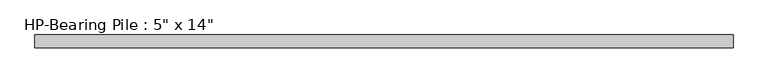
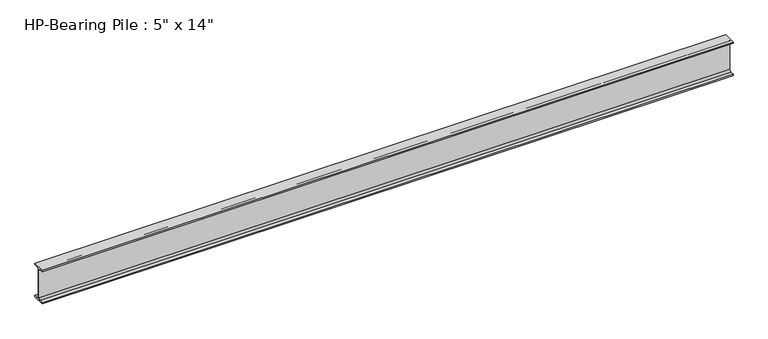
"""IFC4 building model written with IfcOpenShell, lengths in millimetres: beam geometry."""

from ifc_helpers import new_model, si_unit, point, frame, frame_2d, origin, place, context, project, spatial, polyline, circle_curve, trimmed, segment, composite_curve, outline, extrude, source, transform, mapped, element, save


def beam_0574e458(model_context):
    return source(origin(), model_context, "Body", "SweptSolid", [
        extrude(outline(composite_curve([segment(polyline([(63.5, -165.1), (63.5, -177.8), (-63.5, -177.8), (-63.5, -165.1), (-25.4, -165.1)]), True, "CONTINUOUS"), segment(trimmed(circle_curve(frame_2d((-25.4, -146.05)), 19.05), [point((-25.4, -165.1))], [point((-6.35, -146.05))], True, "CARTESIAN"), True, "CONTINUOUS"), segment(polyline([(-6.35, -146.05), (-6.35, 146.05)]), True, "CONTINUOUS"), segment(trimmed(circle_curve(frame_2d((-25.4, 146.05)), 19.05), [point((-6.35, 146.05))], [point((-25.4, 165.1))], True, "CARTESIAN"), True, "CONTINUOUS"), segment(polyline([(-25.4, 165.1), (-63.5, 165.1), (-63.5, 177.8), (63.5, 177.8), (63.5, 165.1), (25.4, 165.1)]), True, "CONTINUOUS"), segment(trimmed(circle_curve(frame_2d((25.4, 146.05)), 19.05), [point((25.4, 165.1))], [point((6.35, 146.05))], True, "CARTESIAN"), True, "CONTINUOUS"), segment(polyline([(6.35, 146.05), (6.35, -146.05)]), True, "CONTINUOUS"), segment(trimmed(circle_curve(frame_2d((25.4, -146.05)), 19.05), [point((6.35, -146.05))], [point((25.4, -165.1))], True, "CARTESIAN"), True, "CONTINUOUS"), segment(polyline([(25.4, -165.1), (63.5, -165.1)]), True, "CONTINUOUS")], self_intersect=False)), frame((-3477.157782, 0.0, 0.0), z_axis=(1.0, 0.0, 0.0), x_axis=(0.0, 1.0, 0.0)), (0.0, 0.0, 1.0), 6954.3155641),
    ])


if __name__ == "__main__":
    model = new_model("IFC4")
    model_context = context("Model", 3, world=origin())
    ifc_project = project(units=[si_unit("LENGTHUNIT", "METRE", prefix="MILLI")], contexts=[model_context])
    site = spatial("IfcSite", under=ifc_project)
    building = spatial("IfcBuilding", under=site)
    placement = place(None, origin())
    beam_shape = beam_0574e458(model_context)
    element("IfcBeam", 1, ObjectType="HP-Bearing Pile : 5\" x 14\"", at=placement, inside=building, context=model_context, shape_type="MappedRepresentation", body=[
        mapped(beam_shape, transform((0.0, 0.0, 0.0), x_axis=(1.0, 0.0, 0.0), y_axis=(0.0, 1.0, 0.0), z_axis=(0.0, 0.0, 1.0))),
    ])
    save(model, "model.ifc")
